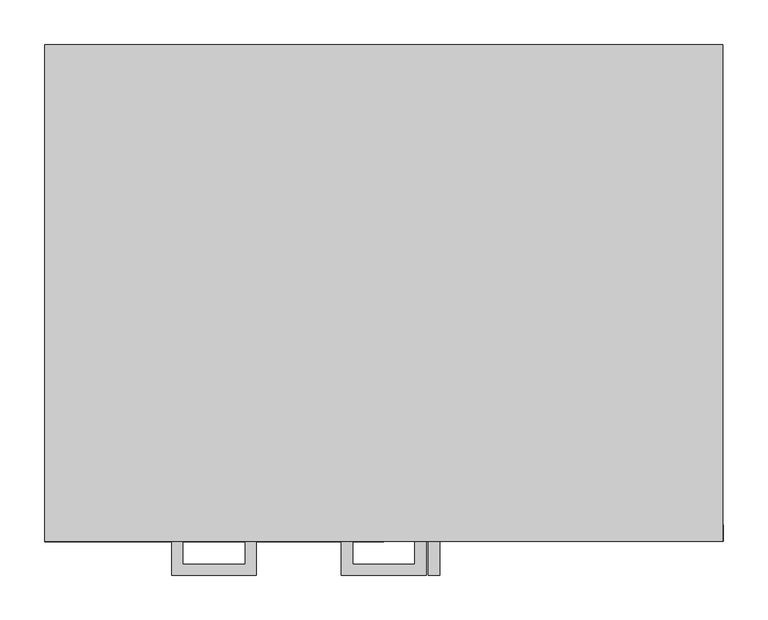
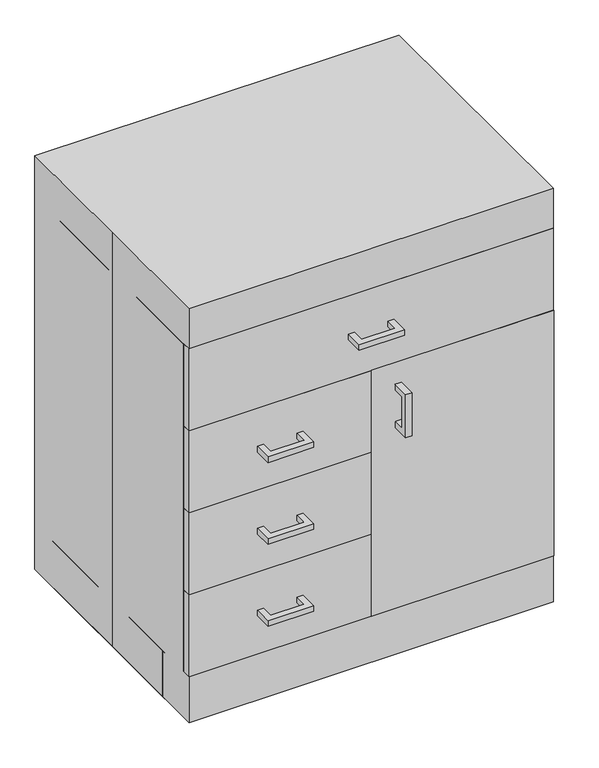
"""IFC4 building model written with IfcOpenShell, lengths in millimetres: proxy geometry."""

from ifc_helpers import new_model, si_unit, frame, origin, origin_with_axes, place, context, project, spatial, polyline, outline, extrude, source, transform, mapped, element, save


def specialty_equipment_37ce002a(model_context):
    return source(origin(), model_context, "Body", "SweptSolid", [
        extrude(outline(polyline([(-317.5, 502.0212757), (-317.5, 597.2712757), (-279.4, 597.2712757), (-279.4, 584.5872056), (-304.8159299, 584.5872056), (-304.8159299, 514.7053457), (-279.4, 514.7053457), (-279.4, 502.0212757), (-317.5, 502.0212757)])), frame((50.3154863, 0.0, 0.0), z_axis=(1.0, 0.0, 0.0), x_axis=(0.0, 1.0, 0.0)), (0.0, 0.0, 1.0), 12.7),
        extrude(outline(polyline([(381.7779849, -279.4), (0.7779849, -279.4), (0.7779849, -260.35), (381.7779849, -260.35), (381.7779849, -279.4)])), frame((0.0, 0.0, 101.6), z_axis=(0.0, 0.0, 1.0), x_axis=(1.0, 0.0, 0.0)), (0.0, 0.0, 1.0), 543.2826587),
        extrude(outline(polyline([(47.625, -317.5), (-47.625, -317.5), (-47.625, -279.4), (-34.9409299, -279.4), (-34.9409299, -304.8159299), (34.9409299, -304.8159299), (34.9409299, -279.4), (47.625, -279.4), (47.625, -317.5)])), frame((0.0, 0.0, 729.231624), z_axis=(0.0, 0.0, 1.0), x_axis=(1.0, 0.0, 0.0)), (0.0, 0.0, 1.0), 12.7),
        extrude(outline(polyline([(381.0, -279.4), (-381.0, -279.4), (-381.0, -260.35), (381.0, -260.35), (381.0, -279.4)])), frame((0.0, 0.0, 645.0128206), z_axis=(0.0, 0.0, 1.0), x_axis=(1.0, 0.0, 0.0)), (0.0, 0.0, 1.0), 181.1376069),
        extrude(outline(polyline([(-142.875, -317.5), (-238.125, -317.5), (-238.125, -279.4), (-225.4409299, -279.4), (-225.4409299, -304.8159299), (-155.5590701, -304.8159299), (-155.5590701, -279.4), (-142.875, -279.4), (-142.875, -317.5)])), frame((0.0, 0.0, 548.0940172), z_axis=(0.0, 0.0, 1.0), x_axis=(1.0, 0.0, 0.0)), (0.0, 0.0, 1.0), 12.7),
        extrude(outline(polyline([(0.0, -279.4), (-381.0, -279.4), (-381.0, -260.35), (0.0, -260.35), (0.0, -279.4)])), frame((0.0, 0.0, 463.8752137), z_axis=(0.0, 0.0, 1.0), x_axis=(1.0, 0.0, 0.0)), (0.0, 0.0, 1.0), 181.1376069),
        extrude(outline(polyline([(-142.875, -317.5), (-238.125, -317.5), (-238.125, -279.4), (-225.4409299, -279.4), (-225.4409299, -304.8159299), (-155.5590701, -304.8159299), (-155.5590701, -279.4), (-142.875, -279.4), (-142.875, -317.5)])), frame((0.0, 0.0, 366.9564103), z_axis=(0.0, 0.0, 1.0), x_axis=(1.0, 0.0, 0.0)), (0.0, 0.0, 1.0), 12.7),
        extrude(outline(polyline([(0.0, -279.4), (-381.0, -279.4), (-381.0, -260.35), (0.0, -260.35), (0.0, -279.4)])), frame((0.0, 0.0, 282.7376069), z_axis=(0.0, 0.0, 1.0), x_axis=(1.0, 0.0, 0.0)), (0.0, 0.0, 1.0), 181.1376069),
        extrude(outline(polyline([(-142.875, -317.5), (-238.125, -317.5), (-238.125, -279.4), (-225.4409299, -279.4), (-225.4409299, -304.8159299), (-155.5590701, -304.8159299), (-155.5590701, -279.4), (-142.875, -279.4), (-142.875, -317.5)])), frame((0.0, 0.0, 185.8188034), z_axis=(0.0, 0.0, 1.0), x_axis=(1.0, 0.0, 0.0)), (0.0, 0.0, 1.0), 12.7),
        extrude(outline(polyline([(0.0, -279.4), (-381.0, -279.4), (-381.0, -260.35), (0.0, -260.35), (0.0, -279.4)])), frame((0.0, 0.0, 101.6), z_axis=(0.0, 0.0, 1.0), x_axis=(1.0, 0.0, 0.0)), (0.0, 0.0, 1.0), 181.1376069),
        extrude(outline(polyline([(-381.0, 279.4), (381.0, 279.4), (381.0, -279.4), (-381.0, -279.4), (-381.0, 0.0), (-381.0, 279.4)])), origin_with_axes(), (0.0, 0.0, 1.0), 914.4),
        extrude(outline(polyline([(-381.0, -260.35), (-381.0, 279.4), (-361.95, 279.4), (-361.95, -260.35), (-381.0, -260.35)])), frame((0.0, 0.0, 101.6), z_axis=(0.0, 0.0, 1.0), x_axis=(1.0, 0.0, 0.0)), (0.0, 0.0, 1.0), 723.8674767),
        extrude(outline(polyline([(361.95, -260.35), (361.95, 279.4), (381.0, 279.4), (381.0, -260.35), (361.95, -260.35)])), frame((0.0, 0.0, 101.6), z_axis=(0.0, 0.0, 1.0), x_axis=(1.0, 0.0, 0.0)), (0.0, 0.0, 1.0), 723.8674767),
        extrude(outline(polyline([(381.0, -203.2), (-381.0, -203.2), (-381.0, -184.15), (381.0, -184.15), (381.0, -203.2)])), origin_with_axes(), (0.0, 0.0, 1.0), 101.6),
        extrude(outline(polyline([(-381.0, -184.15), (-381.0, 279.4), (-361.95, 279.4), (-361.95, -184.15), (-381.0, -184.15)])), origin_with_axes(), (0.0, 0.0, 1.0), 101.6),
        extrude(outline(polyline([(361.95, -184.15), (361.95, 279.4), (381.0, 279.4), (381.0, -184.15), (361.95, -184.15)])), origin_with_axes(), (0.0, 0.0, 1.0), 101.6),
        extrude(outline(polyline([(381.0, 260.35), (-381.0, 260.35), (-381.0, 279.4), (381.0, 279.4), (381.0, 260.35)])), origin_with_axes(), (0.0, 0.0, 1.0), 101.6),
        extrude(outline(polyline([(361.95, 260.35), (361.95, -260.35), (-361.95, -260.35), (-361.95, 260.35), (361.95, 260.35)])), frame((0.0, 0.0, 101.6), z_axis=(0.0, 0.0, 1.0), x_axis=(1.0, 0.0, 0.0)), (0.0, 0.0, 1.0), 19.1166954),
        extrude(outline(polyline([(361.95, 260.35), (-361.95, 260.35), (-361.95, 279.4), (361.95, 279.4), (361.95, 260.35)])), frame((0.0, 0.0, 101.6), z_axis=(0.0, 0.0, 1.0), x_axis=(1.0, 0.0, 0.0)), (0.0, 0.0, 1.0), 704.8174767),
    ])


if __name__ == "__main__":
    model = new_model("IFC4")
    model_context = context("Model", 3, world=origin())
    ifc_project = project(units=[si_unit("LENGTHUNIT", "METRE", prefix="MILLI")], contexts=[model_context])
    site = spatial("IfcSite", under=ifc_project)
    building = spatial("IfcBuilding", under=site)
    placement = place(None, origin())
    specialty_equipment_shape = specialty_equipment_37ce002a(model_context)
    element("IfcBuildingElementProxy", 1, Name="Specialty Equipment", at=placement, inside=building, context=model_context, shape_type="MappedRepresentation", body=[
        mapped(specialty_equipment_shape, transform((0.0, 0.0, 0.0), x_axis=(1.0, 0.0, 0.0), y_axis=(0.0, 1.0, 0.0), z_axis=(0.0, 0.0, 1.0))),
    ])
    save(model, "model.ifc")
